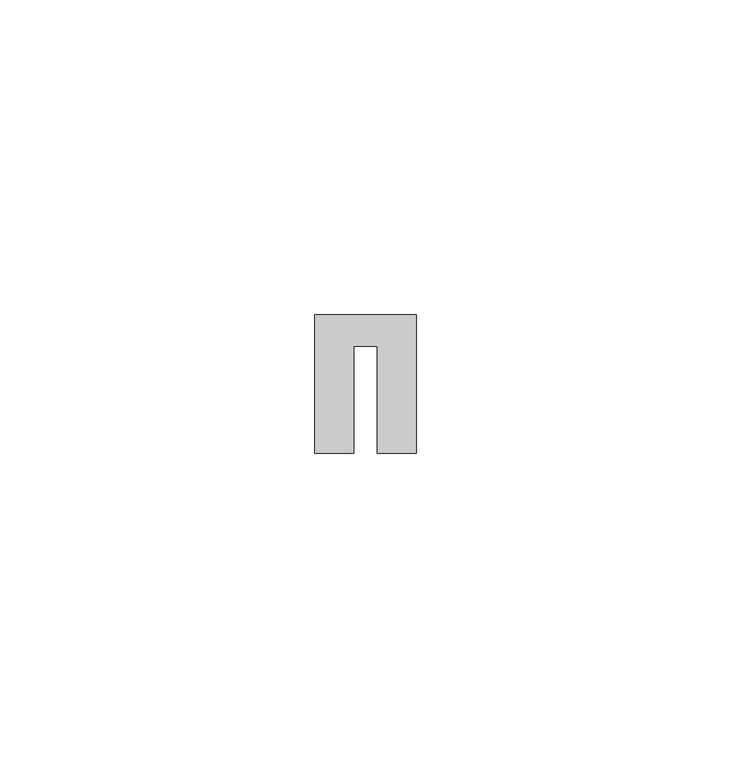
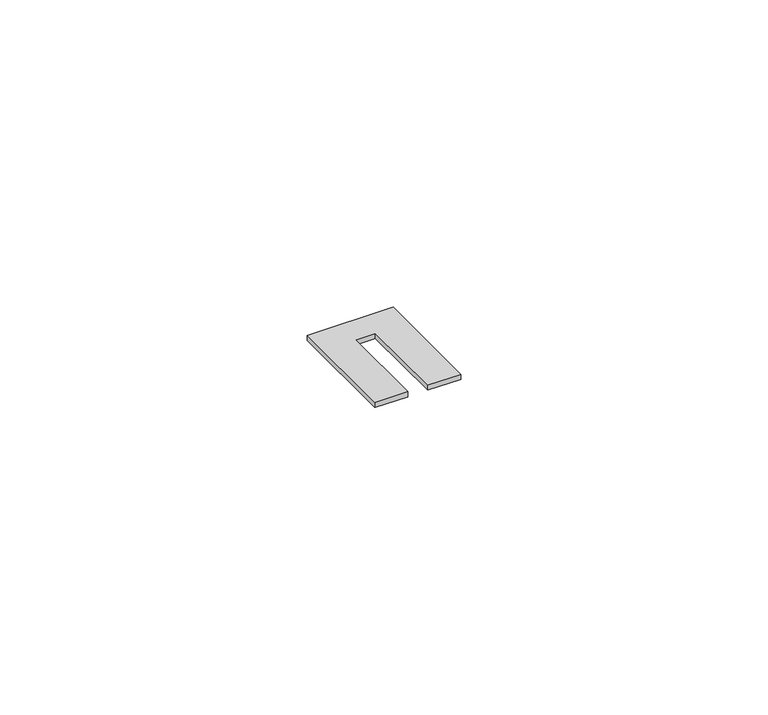
"""IFC4 building model written with IfcOpenShell, lengths in millimetres: proxy geometry."""

from ifc_helpers import new_model, si_unit, origin, origin_with_axes, place, context, project, spatial, polyline, outline, extrude, source, transform, mapped, element, save


def generic_models_bb2e20d1(model_context):
    return source(origin(), model_context, "Body", "SweptSolid", [
        extrude(outline(polyline([(9.9, 5.0), (9.9, -17.0), (3.7, -17.0), (3.7, 0.0), (0.0, 0.0), (0.0, -17.0), (-6.2, -17.0), (-6.2, 5.0), (9.9, 5.0)])), origin_with_axes(), (0.0, 0.0, 1.0), 1.0),
    ])


if __name__ == "__main__":
    model = new_model("IFC4")
    model_context = context("Model", 3, world=origin())
    ifc_project = project(units=[si_unit("LENGTHUNIT", "METRE", prefix="MILLI")], contexts=[model_context])
    site = spatial("IfcSite", under=ifc_project)
    building = spatial("IfcBuilding", under=site)
    placement = place(None, origin())
    generic_models_shape = generic_models_bb2e20d1(model_context)
    element("IfcBuildingElementProxy", 1, Name="Generic Models", at=placement, inside=building, context=model_context, shape_type="MappedRepresentation", body=[
        mapped(generic_models_shape, transform((0.0, 0.0, 0.0), x_axis=(1.0, 0.0, 0.0), y_axis=(0.0, 1.0, 0.0), z_axis=(0.0, 0.0, 1.0))),
    ])
    save(model, "model.ifc")
